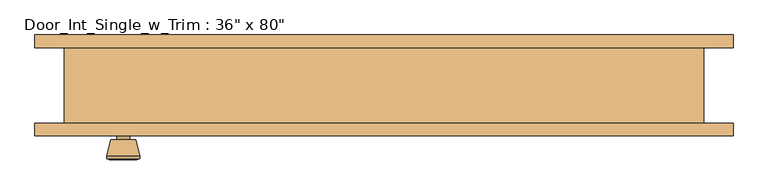
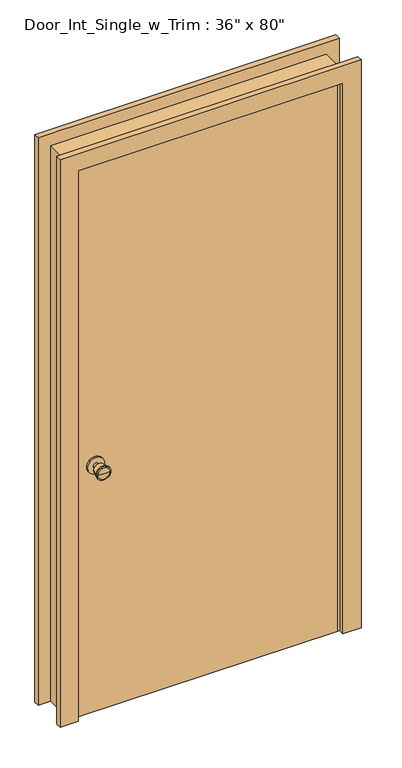
"""IFC4 building model written with IfcOpenShell, lengths in millimetres: door geometry."""

from ifc_helpers import new_model, si_unit, point, frame, frame_2d, origin, origin_with_axes, place, context, project, spatial, polyline, circle_curve, trimmed, segment, composite_curve, outline, extrude, faceted_brep, source, transform, mapped, element, save
from ifc_brep_helpers import plane_surface, cylinder_surface, revolved_surface, advanced_brep


def door_852d0295(model_context):
    return source(origin(), model_context, "Body", "SolidModel", [
        advanced_brep(
        [(-393.7, -13.05, 914.4), (-403.7, -13.05, 914.4), (-383.7, -13.05, 914.4), (-373.2241324, 35.95, 914.4), (-414.1758676, 35.95, 914.4), (-393.7, 35.95, 914.4), (-368.7, 34.1221319, 914.4), (-418.7, 34.1221319, 914.4), (-368.7, 30.6584537, 914.4), (-418.7, 30.6584537, 914.4), (-375.063764, 5.95, 914.4), (-412.336236, 5.95, 914.4), (-383.7, 5.95, 914.4), (-403.7, 5.95, 914.4)],
        [
            (0, 1),
            (1, 2, circle_curve(frame((-393.7, -13.05, 914.4), z_axis=(0.0, -1.0, 0.0), x_axis=(-1.0, 0.0, 0.0)), 10.0)),
            (2, 0),
            (2, 1, circle_curve(frame((-393.7, -13.05, 914.4), z_axis=(0.0, -1.0, 0.0), x_axis=(-1.0, 0.0, 0.0)), 10.0)),
            (3, 4, circle_curve(frame((-393.7, 35.95, 914.4), z_axis=(0.0, 1.0, 0.0), x_axis=(-1.0, 0.0, 0.0)), 20.4758676)),
            (4, 5),
            (5, 3),
            (4, 3, circle_curve(frame((-393.7, 35.95, 914.4), z_axis=(0.0, 1.0, 0.0), x_axis=(-1.0, 0.0, 0.0)), 20.4758676)),
            (6, 7, circle_curve(frame((-393.7, 34.1221319, 914.4), z_axis=(0.0, 1.0, 0.0), x_axis=(-1.0, 0.0, 0.0)), 25.0)),
            (7, 4),
            (3, 6),
            (7, 6, circle_curve(frame((-393.7, 34.1221319, 914.4), z_axis=(0.0, 1.0, 0.0), x_axis=(-1.0, 0.0, 0.0)), 25.0)),
            (8, 9, circle_curve(frame((-393.7, 30.6584537, 914.4), z_axis=(0.0, 1.0, 0.0), x_axis=(-1.0, 0.0, 0.0)), 25.0)),
            (9, 7),
            (6, 8),
            (9, 8, circle_curve(frame((-393.7, 30.6584537, 914.4), z_axis=(0.0, 1.0, 0.0), x_axis=(-1.0, 0.0, 0.0)), 25.0)),
            (10, 11, circle_curve(frame((-393.7, 5.95, 914.4), z_axis=(0.0, 1.0, 0.0), x_axis=(-1.0, 0.0, 0.0)), 18.636236)),
            (11, 9),
            (8, 10),
            (11, 10, circle_curve(frame((-393.7, 5.95, 914.4), z_axis=(0.0, 1.0, 0.0), x_axis=(-1.0, 0.0, 0.0)), 18.636236)),
            (12, 13, circle_curve(frame((-393.7, 5.95, 914.4), z_axis=(0.0, 1.0, 0.0), x_axis=(-1.0, 0.0, 0.0)), 10.0)),
            (13, 11),
            (10, 12),
            (13, 12, circle_curve(frame((-393.7, 5.95, 914.4), z_axis=(0.0, 1.0, 0.0), x_axis=(-1.0, 0.0, 0.0)), 10.0)),
            (1, 13),
            (12, 2),
        ],
        [
            plane_surface(frame((-393.7, -13.05, 914.4), z_axis=(0.0, -1.0, 0.0), x_axis=(-1.0, 0.0, 0.0))),
            plane_surface(frame((-393.7, 35.95, 914.4), z_axis=(0.0, 1.0, 0.0), x_axis=(-1.0, 0.0, 0.0))),
            revolved_surface(polyline([(-414.1758676, 35.95, 914.4), (-418.7, 34.1221319, 914.4)]), (-393.7, -13.05, 914.4), (0.0, -1.0, 0.0)),
            cylinder_surface(frame((-393.7, -13.05, 914.4), z_axis=(0.0, -1.0, 0.0), x_axis=(-1.0, 0.0, 0.0)), 25.0),
            revolved_surface(polyline([(-418.7, 30.6584537, 914.4), (-412.336236, 5.95, 914.4)]), (-393.7, -13.05, 914.4), (0.0, -1.0, 0.0)),
            plane_surface(frame((-393.7, 5.95, 914.4), z_axis=(0.0, -1.0, 0.0), x_axis=(-1.0, 0.0, 0.0))),
            cylinder_surface(frame((-393.7, -13.05, 914.4), z_axis=(0.0, -1.0, 0.0), x_axis=(-1.0, 0.0, 0.0)), 10.0),
        ],
        [
            (0, [[1, 2, 3]]),
            (0, [[-3, 4, -1]]),
            (1, [[5, 6, 7]]),
            (1, [[8, -7, -6]]),
            (2, [[9, 10, -5, 11]]),
            (2, [[12, -11, -8, -10]]),
            (3, [[13, 14, -9, 15]]),
            (3, [[16, -15, -12, -14]]),
            (4, [[17, 18, -13, 19]]),
            (4, [[20, -19, -16, -18]]),
            (5, [[21, 22, -17, 23]]),
            (5, [[24, -23, -20, -22]]),
            (6, [[-2, 25, -21, 26]]),
            (6, [[-4, -26, -24, -25]]),
        ],
    ),
        extrude(outline(composite_curve([segment(trimmed(circle_curve(frame_2d((914.4, -393.7)), 30.0), [point((914.4, -423.7))], [point((914.4, -363.7))], False, "CARTESIAN"), True, "CONTINUOUS"), segment(trimmed(circle_curve(frame_2d((914.4, -393.7)), 30.0), [point((914.4, -363.7))], [point((914.4, -423.7))], False, "CARTESIAN"), True, "CONTINUOUS")], self_intersect=False)), frame((0.0, -19.05, 0.0), z_axis=(0.0, 1.0, 0.0), x_axis=(0.0, 0.0, 1.0)), (0.0, 0.0, 1.0), 6.0),
        advanced_brep(
        [(-393.7, -59.975, 914.4), (-383.7, -59.975, 914.4), (-403.7, -59.975, 914.4), (-373.2241324, -108.975, 914.4), (-393.7, -108.975, 914.4), (-414.1758676, -108.975, 914.4), (-368.7, -107.1471319, 914.4), (-418.7, -107.1471319, 914.4), (-368.7, -103.6834537, 914.4), (-418.7, -103.6834537, 914.4), (-375.063764, -78.975, 914.4), (-412.336236, -78.975, 914.4), (-383.7, -78.975, 914.4), (-403.7, -78.975, 914.4)],
        [
            (0, 1),
            (1, 2, circle_curve(frame((-393.7, -59.975, 914.4), z_axis=(0.0, 1.0, 0.0), x_axis=(-1.0, 0.0, 0.0)), 10.0)),
            (2, 0),
            (2, 1, circle_curve(frame((-393.7, -59.975, 914.4), z_axis=(0.0, 1.0, 0.0), x_axis=(-1.0, 0.0, 0.0)), 10.0)),
            (3, 4),
            (4, 5),
            (5, 3, circle_curve(frame((-393.7, -108.975, 914.4), z_axis=(0.0, -1.0, 0.0), x_axis=(-1.0, 0.0, 0.0)), 20.4758676)),
            (3, 5, circle_curve(frame((-393.7, -108.975, 914.4), z_axis=(0.0, -1.0, 0.0), x_axis=(-1.0, 0.0, 0.0)), 20.4758676)),
            (6, 3),
            (5, 7),
            (7, 6, circle_curve(frame((-393.7, -107.1471319, 914.4), z_axis=(0.0, -1.0, 0.0), x_axis=(-1.0, 0.0, 0.0)), 25.0)),
            (6, 7, circle_curve(frame((-393.7, -107.1471319, 914.4), z_axis=(0.0, -1.0, 0.0), x_axis=(-1.0, 0.0, 0.0)), 25.0)),
            (8, 6),
            (7, 9),
            (9, 8, circle_curve(frame((-393.7, -103.6834537, 914.4), z_axis=(0.0, -1.0, 0.0), x_axis=(-1.0, 0.0, 0.0)), 25.0)),
            (8, 9, circle_curve(frame((-393.7, -103.6834537, 914.4), z_axis=(0.0, -1.0, 0.0), x_axis=(-1.0, 0.0, 0.0)), 25.0)),
            (10, 8),
            (9, 11),
            (11, 10, circle_curve(frame((-393.7, -78.975, 914.4), z_axis=(0.0, -1.0, 0.0), x_axis=(-1.0, 0.0, 0.0)), 18.636236)),
            (10, 11, circle_curve(frame((-393.7, -78.975, 914.4), z_axis=(0.0, -1.0, 0.0), x_axis=(-1.0, 0.0, 0.0)), 18.636236)),
            (12, 10),
            (11, 13),
            (13, 12, circle_curve(frame((-393.7, -78.975, 914.4), z_axis=(0.0, -1.0, 0.0), x_axis=(-1.0, 0.0, 0.0)), 10.0)),
            (12, 13, circle_curve(frame((-393.7, -78.975, 914.4), z_axis=(0.0, -1.0, 0.0), x_axis=(-1.0, 0.0, 0.0)), 10.0)),
            (1, 12),
            (13, 2),
        ],
        [
            plane_surface(frame((-393.7, -59.975, 914.4), z_axis=(0.0, 1.0, 0.0), x_axis=(-1.0, 0.0, 0.0))),
            plane_surface(frame((-393.7, -108.975, 914.4), z_axis=(0.0, -1.0, 0.0), x_axis=(-1.0, 0.0, 0.0))),
            revolved_surface(polyline([(-414.1758676, -108.975, 914.4), (-418.7, -107.1471319, 914.4)]), (-393.7, -59.975, 914.4), (0.0, 1.0, 0.0)),
            cylinder_surface(frame((-393.7, -59.975, 914.4), z_axis=(0.0, 1.0, 0.0), x_axis=(-1.0, 0.0, 0.0)), 25.0),
            revolved_surface(polyline([(-418.7, -103.6834537, 914.4), (-412.336236, -78.975, 914.4)]), (-393.7, -59.975, 914.4), (0.0, 1.0, 0.0)),
            plane_surface(frame((-393.7, -78.975, 914.4), z_axis=(0.0, 1.0, 0.0), x_axis=(-1.0, 0.0, 0.0))),
            cylinder_surface(frame((-393.7, -59.975, 914.4), z_axis=(0.0, 1.0, 0.0), x_axis=(-1.0, 0.0, 0.0)), 10.0),
        ],
        [
            (0, [[1, 2, 3]]),
            (0, [[-3, 4, -1]]),
            (1, [[5, 6, 7]]),
            (1, [[-6, -5, 8]]),
            (2, [[9, -7, 10, 11]]),
            (2, [[-10, -8, -9, 12]]),
            (3, [[13, -11, 14, 15]]),
            (3, [[-14, -12, -13, 16]]),
            (4, [[17, -15, 18, 19]]),
            (4, [[-18, -16, -17, 20]]),
            (5, [[21, -19, 22, 23]]),
            (5, [[-22, -20, -21, 24]]),
            (6, [[25, -23, 26, -2]]),
            (6, [[-26, -24, -25, -4]]),
        ],
    ),
        extrude(outline(composite_curve([segment(trimmed(circle_curve(frame_2d((914.4, -393.7)), 30.0), [point((914.4, -423.7))], [point((914.4, -363.7))], False, "CARTESIAN"), True, "CONTINUOUS"), segment(trimmed(circle_curve(frame_2d((914.4, -393.7)), 30.0), [point((914.4, -363.7))], [point((914.4, -423.7))], False, "CARTESIAN"), True, "CONTINUOUS")], self_intersect=False)), frame((0.0, -59.975, 0.0), z_axis=(0.0, 1.0, 0.0), x_axis=(0.0, 0.0, 1.0)), (0.0, 0.0, 1.0), 6.0),
        faceted_brep([(482.6, -53.975, 0.0), (457.2, -53.975, 0.0), (457.2, -19.05, 0.0), (444.5, -19.05, 0.0), (444.5, 15.875, 0.0), (457.2, 15.875, 0.0), (457.2, 60.325, 0.0), (482.6, 60.325, 0.0), (482.6, 60.325, 2057.4), (482.6, -53.975, 2057.4), (457.2, 60.325, 2032.0), (-457.2, 60.325, 2032.0), (-457.2, 60.325, 0.0), (-482.6, 60.325, 0.0), (-482.6, 60.325, 2057.4), (457.2, 15.875, 2032.0), (444.5, 15.875, 2019.3), (-444.5, 15.875, 2019.3), (-444.5, 15.875, 0.0), (-457.2, 15.875, 0.0), (-457.2, 15.875, 2032.0), (444.5, -19.05, 2019.3), (457.2, -19.05, 2032.0), (-457.2, -19.05, 2032.0), (-457.2, -19.05, 0.0), (-444.5, -19.05, 0.0), (-444.5, -19.05, 2019.3), (457.2, -53.975, 2032.0), (-482.6, -53.975, 2057.4), (-482.6, -53.975, 0.0), (-457.2, -53.975, 0.0), (-457.2, -53.975, 2032.0)], [[[0, 1, 2, 3, 4, 5, 6, 7]], [[7, 8, 9, 0]], [[6, 10, 11, 12, 13, 14, 8, 7]], [[5, 15, 10, 6]], [[4, 16, 17, 18, 19, 20, 15, 5]], [[3, 21, 16, 4]], [[2, 22, 23, 24, 25, 26, 21, 3]], [[1, 27, 22, 2]], [[0, 9, 28, 29, 30, 31, 27, 1]], [[8, 14, 28, 9]], [[15, 20, 11, 10]], [[21, 26, 17, 16]], [[27, 31, 23, 22]], [[29, 13, 12, 19, 18, 25, 24, 30]], [[14, 13, 29, 28]], [[20, 19, 12, 11]], [[26, 25, 18, 17]], [[31, 30, 24, 23]]]),
        extrude(outline(polyline([(457.2, -19.05), (457.2, -53.975), (-457.2, -53.975), (-457.2, -19.05), (457.2, -19.05)])), origin_with_axes(), (0.0, 0.0, 1.0), 2032.0),
        extrude(outline(polyline([(0.0, 527.05), (2101.85, 527.05), (2101.85, -527.05), (0.0, -527.05), (0.0, -463.55), (2038.35, -463.55), (2038.35, 463.55), (0.0, 463.55), (0.0, 527.05)])), frame((0.0, -73.025, 0.0), z_axis=(0.0, 1.0, 0.0), x_axis=(0.0, 0.0, 1.0)), (0.0, 0.0, 1.0), 19.05),
        extrude(outline(polyline([(0.0, 527.05), (2101.85, 527.05), (2101.85, -527.05), (0.0, -527.05), (0.0, -463.55), (2038.35, -463.55), (2038.35, 463.55), (0.0, 463.55), (0.0, 527.05)])), frame((0.0, 60.325, 0.0), z_axis=(0.0, 1.0, 0.0), x_axis=(0.0, 0.0, 1.0)), (0.0, 0.0, 1.0), 19.05),
    ])


if __name__ == "__main__":
    model = new_model("IFC4")
    model_context = context("Model", 3, world=origin())
    ifc_project = project(units=[si_unit("LENGTHUNIT", "METRE", prefix="MILLI")], contexts=[model_context])
    site = spatial("IfcSite", under=ifc_project)
    building = spatial("IfcBuilding", under=site)
    placement = place(None, origin())
    door_shape = door_852d0295(model_context)
    element("IfcDoor", 1, ObjectType="Door_Int_Single_w_Trim : 36\" x 80\"", at=placement, inside=building, context=model_context, shape_type="MappedRepresentation", body=[
        mapped(door_shape, transform((0.0, 0.0, 0.0), x_axis=(1.0, 0.0, 0.0), y_axis=(0.0, 1.0, 0.0), z_axis=(0.0, 0.0, 1.0))),
    ])
    save(model, "model.ifc")
